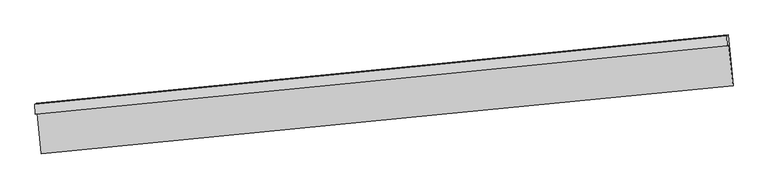
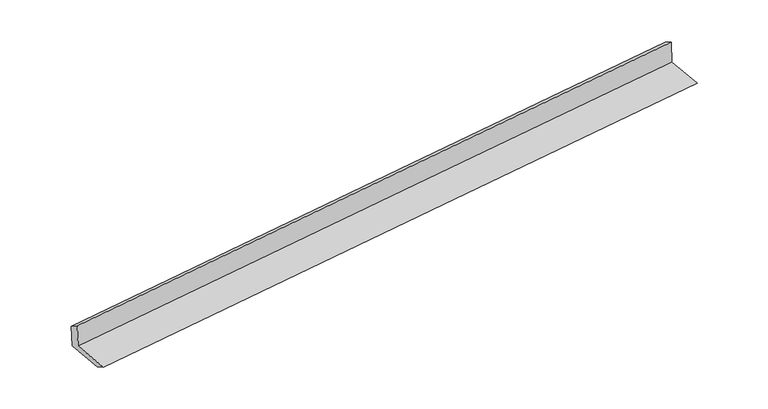
"""IFC4 building model written with IfcOpenShell, lengths in millimetres: proxy geometry."""

from ifc_helpers import new_model, si_unit, frame, origin, place, context, project, spatial, source, transform, mapped, element, save
from ifc_brep_helpers import plane_surface, spline_curve, spline_surface, advanced_brep


def generic_models_fd5a5d75(model_context):
    return source(origin(), model_context, "Body", "AdvancedBrep", [
        advanced_brep(
        [(-5924.6109474, -2090.9974883, 1488.9936578), (-5855.9329995, -2752.2393337, 1466.3804672), (5419.3930709, -1637.2730292, 2224.7157867), (5350.715123, -976.0311838, 2247.3289773), (-5950.7558786, -2107.4713835, 1891.3096694), (5325.2181437, -992.0968052, 2639.6743585), (-5960.0123865, -1943.6498754, 1784.7035888), (5314.9897078, -828.8877078, 2548.0242236), (-5934.5861059, -1927.6288012, 1393.4461127), (5340.7399644, -812.6624967, 2151.7814323), (-5866.3243598, -2584.8633918, 1370.9699625), (5409.0017105, -1469.8970873, 2129.3052821)],
        [
            (0, 1),
            (1, 2, spline_curve(3, [(-5855.9329995, -2752.2393337, 1466.3804672), (-3706.438324865, -2542.08052462, 1615.877612743), (-1556.890892238, -2330.546680076, 1762.558462185), (2201.574335014, -1958.286471331, 2014.098225255), (3810.46892632, -1798.164880214, 2120.1958156), (5419.3930709, -1637.2730292, 2224.7157867)], [4, 2, 4], [0.0, 21.308124751045135, 37.25615874743289])),
            (2, 3),
            (3, 0, spline_curve(3, [(5350.715123, -976.0311838, 2247.3289773), (3741.79097842, -1136.923034814, 2142.8090062), (2132.896387114, -1297.044625931, 2036.711415855), (-1625.568840138, -1669.304834676, 1785.171652785), (-3775.116272765, -1880.83867922, 1638.490803343), (-5924.6109474, -2090.9974883, 1488.9936578)], [4, 2, 4], [0.0, 15.948033996387757, 37.25615874743289])),
            (4, 0),
            (3, 5),
            (5, 4, spline_curve(3, [(5325.2181437, -992.0968052, 2639.6743585), (3716.161971063, -1153.071846941, 2537.186022127), (2107.152291791, -1313.265954594, 2432.859398856), (-1651.54221985, -1685.670635857, 2184.847844431), (-3801.190548516, -1897.268053989, 2039.719570799), (-5950.7558786, -2107.4713835, 1891.3096694)], [4, 2, 4], [0.0, 15.948052475818184, 37.256201917179936])),
            (6, 4),
            (5, 7),
            (7, 6, spline_curve(3, [(5314.9897078, -828.8877078, 2548.0242236), (3706.219782794, -989.682385451, 2441.131135621), (2097.433183988, -1149.735930351, 2333.371773299), (-1660.887756492, -1521.90522445, 2079.611721836), (-3810.435188958, -1733.43906816, 1932.930872165), (-5960.0123865, -1943.6498754, 1784.7035888)], [4, 2, 4], [0.0, 15.948039704050998, 37.25617208108943])),
            (8, 6),
            (7, 9),
            (9, 8, spline_curve(3, [(5340.7399644, -812.6624967, 2151.7814323), (3731.815819533, -973.554347637, 2047.261461133), (2122.921228937, -1133.675938477, 1941.163870544), (-1635.54399907, -1505.936148049, 1689.624108199), (-3785.091431477, -1717.46999206, 1542.94325857), (-5934.5861059, -1927.6288012, 1393.4461127)], [4, 2, 4], [0.0, 15.948024029616533, 37.25613546408581])),
            (10, 8),
            (9, 11),
            (11, 10, spline_curve(3, [(5409.0017105, -1469.8970873, 2129.3052821), (3800.07756592, -1630.788938314, 2024.785311), (2191.182974714, -1790.910529431, 1918.687720655), (-1567.282252538, -2163.170738176, 1667.147957585), (-3716.829685165, -2374.70458272, 1520.467108043), (-5866.3243598, -2584.8633918, 1370.9699625)], [4, 2, 4], [0.0, 15.948033996387757, 37.25615874743289])),
            (1, 10),
            (11, 2),
        ],
        [
            spline_surface(3, 3, [[(-5924.6109474, -2090.9974883, 1488.9936578), (-3775.116272991, -1880.838678922, 1638.490803339), (-1625.568840437, -1669.304834938, 1785.171652865), (2132.896387338, -1297.044625735, 2036.711415795), (3741.790978293, -1136.923034888, 2142.809006055), (5350.715123, -976.0311838, 2247.3289773)], [(-5901.718298106, -2311.411436757, 1481.455927601), (-3752.223623697, -2101.252627379, 1630.95307314), (-1602.676191143, -1889.718783396, 1777.633922666), (2155.789036632, -1517.458574192, 2029.173685596), (3764.683627587, -1357.336983345, 2135.271275857), (5373.607772294, -1196.445132257, 2239.791247101)], [(-5878.825648794, -2531.825385243, 1473.918197399), (-3729.330974385, -2321.666575865, 1623.415342938), (-1579.783541831, -2110.132731881, 1770.096192464), (2178.681685944, -1737.872522677, 2021.635955394), (3787.576276899, -1577.750931831, 2127.733545654), (5396.500421606, -1416.859080743, 2232.253516899)], [(-5855.9329995, -2752.2393337, 1466.3804672), (-3706.438325091, -2542.080524322, 1615.877612739), (-1556.890892537, -2330.546680338, 1762.558462265), (2201.574335238, -1958.286471135, 2014.098225195), (3810.468926193, -1798.164880288, 2120.195815455), (5419.3930709, -1637.2730292, 2224.7157867)]], [4, 4], [4, 2, 4], [0.0, 2.1823598400354642], [0.0, 21.308124751045135, 37.25615874743289]),
            spline_surface(3, 3, [[(-5950.7558786, -2107.4713835, 1891.3096694), (-3801.190548468, -1897.268054022, 2039.719570599), (-1651.542220111, -1685.670635722, 2184.847844103), (2107.152291985, -1313.265954695, 2432.859399101), (3716.161971067, -1153.071846953, 2537.18602192), (5325.2181437, -992.0968052, 2639.6743585)], [(-5942.040901523, -2101.980085094, 1757.204332195), (-3792.499123299, -1891.791595649, 1905.976648173), (-1642.884426874, -1680.215368797, 2051.622447041), (2115.733657115, -1307.858845044, 2300.81007135), (3724.704973468, -1147.688909619, 2405.727016629), (5333.717136792, -986.741598088, 2508.892564763)], [(-5933.325924477, -2096.488786706, 1623.098995005), (-3783.80769816, -1886.315137295, 1772.233725764), (-1634.226633674, -1674.760101864, 1918.397049927), (2124.315022208, -1302.451735386, 2168.760743546), (3733.247975892, -1142.305972221, 2274.268011347), (5342.216129908, -981.386390912, 2378.110771037)], [(-5924.6109474, -2090.9974883, 1488.9936578), (-3775.116272991, -1880.838678922, 1638.490803339), (-1625.568840437, -1669.304834938, 1785.171652865), (2132.896387338, -1297.044625735, 2036.711415795), (3741.790978293, -1136.923034888, 2142.809006055), (5350.715123, -976.0311838, 2247.3289773)]], [4, 4], [4, 2, 4], [0.0, 1.3109289210998947], [0.0, 21.308149441361753, 37.256201917179936]),
            spline_surface(3, 3, [[(-5960.0123865, -1943.6498754, 1784.7035888), (-3810.435188753, -1733.439068149, 1932.930872124), (-1660.887756199, -1521.905224165, 2079.61172175), (2097.433183769, -1149.735930565, 2333.371773364), (3706.219782609, -989.682385323, 2441.131135356), (5314.9897078, -828.8877078, 2548.0242236)], [(-5956.926883861, -1998.257044795, 1820.238948991), (-3807.353641985, -1788.048730135, 1968.52710494), (-1657.772577499, -1576.493694704, 2114.690429203), (2100.672886512, -1204.245938628, 2366.534315278), (3709.533845412, -1044.145539187, 2473.149430899), (5318.399186417, -883.290740254, 2578.574268588)], [(-5953.841381239, -2052.864214105, 1855.774309209), (-3804.272095236, -1842.658392035, 2004.123337783), (-1654.657398811, -1631.082165183, 2149.76913665), (2103.912589242, -1258.755946632, 2399.696857187), (3712.847908264, -1098.608693089, 2505.167726378), (5321.808665083, -937.693772746, 2609.124313512)], [(-5950.7558786, -2107.4713835, 1891.3096694), (-3801.190548468, -1897.268054022, 2039.719570599), (-1651.542220111, -1685.670635722, 2184.847844103), (2107.152291985, -1313.265954695, 2432.859399101), (3716.161971067, -1153.071846953, 2537.18602192), (5325.2181437, -992.0968052, 2639.6743585)]], [4, 4], [4, 2, 4], [0.0, 0.6354290362210604], [0.0, 21.308132377038433, 37.25617208108943]),
            spline_surface(3, 3, [[(-5934.5861059, -1927.6288012, 1393.4461127), (-3785.091431491, -1717.469991822, 1542.943258239), (-1635.543998937, -1505.936147838, 1689.624107865), (2122.921228838, -1133.675938635, 1941.163870795), (3731.815819693, -973.554347788, 2047.261461055), (5340.7399644, -812.6624967, 2151.7814323)], [(-5943.06153277, -1932.969159259, 1523.865271386), (-3793.539350582, -1722.793017257, 1672.93912952), (-1643.991918028, -1511.259173273, 1819.619979145), (2114.425213811, -1139.02926927, 2071.899838304), (3723.283807336, -978.930360306, 2178.551352476), (5332.156545537, -818.070900406, 2283.86236272)], [(-5951.53695963, -1938.309517341, 1654.284430114), (-3801.987269662, -1728.116042715, 1802.935000843), (-1652.439837108, -1516.582198731, 1949.615850469), (2105.929198795, -1144.382599929, 2202.635805856), (3714.751794966, -984.306372805, 2309.841243936), (5323.573126663, -823.479304094, 2415.94329318)], [(-5960.0123865, -1943.6498754, 1784.7035888), (-3810.435188753, -1733.439068149, 1932.930872124), (-1660.887756199, -1521.905224165, 2079.61172175), (2097.433183769, -1149.735930565, 2333.371773364), (3706.219782609, -989.682385323, 2441.131135356), (5314.9897078, -828.8877078, 2548.0242236)]], [4, 4], [4, 2, 4], [0.0, 1.2860559271524958], [0.0, 21.308111434469275, 37.25613546408581]),
            spline_surface(3, 3, [[(-5866.3243598, -2584.8633918, 1370.9699625), (-3716.829685391, -2374.704582422, 1520.467108039), (-1567.282252837, -2163.170738438, 1667.147957665), (2191.182974938, -1790.910529235, 1918.687720595), (3800.077565793, -1630.788938388, 2024.785310855), (5409.0017105, -1469.8970873, 2129.3052821)], [(-5889.078275167, -2365.785194934, 1378.462012581), (-3739.583600758, -2155.626385556, 1527.95915812), (-1590.036168204, -1944.092541572, 1674.640007746), (2168.429059571, -1571.832332368, 1926.179770676), (3777.323650426, -1411.710741522, 2032.277360937), (5386.247795133, -1250.818890434, 2136.797332181)], [(-5911.832190533, -2146.706998066, 1385.954062619), (-3762.337516124, -1936.548188689, 1535.451208158), (-1612.79008357, -1725.014344705, 1682.132057783), (2145.675144204, -1352.754135501, 1933.671820714), (3754.56973506, -1192.632544654, 2039.769410974), (5363.493879767, -1031.740693566, 2144.289382219)], [(-5934.5861059, -1927.6288012, 1393.4461127), (-3785.091431491, -1717.469991822, 1542.943258239), (-1635.543998937, -1505.936147838, 1689.624107865), (2122.921228838, -1133.675938635, 1941.163870795), (3731.815819693, -973.554347788, 2047.261461055), (5340.7399644, -812.6624967, 2151.7814323)]], [4, 4], [4, 2, 4], [0.0, 2.1691343130267793], [0.0, 21.308124751045135, 37.25615874743289]),
            spline_surface(3, 3, [[(-5855.9329995, -2752.2393337, 1466.3804672), (-3706.438325091, -2542.080524322, 1615.877612739), (-1556.890892537, -2330.546680338, 1762.558462265), (2201.574335238, -1958.286471135, 2014.098225195), (3810.468926193, -1798.164880288, 2120.195815455), (5419.3930709, -1637.2730292, 2224.7157867)], [(-5859.396786274, -2696.447353061, 1434.576965646), (-3709.902111865, -2486.288543684, 1584.074111185), (-1560.354679311, -2274.7546997, 1730.754960711), (2198.110548464, -1902.494490496, 1982.294723641), (3807.005139419, -1742.372899649, 2088.392313902), (5415.929284126, -1581.481048561, 2192.912285146)], [(-5862.860573026, -2640.655372439, 1402.773464054), (-3713.365898617, -2430.496563061, 1552.270609593), (-1563.818466063, -2218.962719077, 1698.951459219), (2194.646761711, -1846.702509873, 1950.491222149), (3803.541352567, -1686.580919026, 2056.588812409), (5412.465497274, -1525.689067939, 2161.108783654)], [(-5866.3243598, -2584.8633918, 1370.9699625), (-3716.829685391, -2374.704582422, 1520.467108039), (-1567.282252837, -2163.170738438, 1667.147957665), (2191.182974938, -1790.910529235, 1918.687720595), (3800.077565793, -1630.788938388, 2024.785310855), (5409.0017105, -1469.8970873, 2129.3052821)]], [4, 4], [4, 2, 4], [0.0, 0.6330053097211021], [0.0, 21.30812475104513, 37.256158747432885]),
            plane_surface(frame((5360.0096201, -1119.4747183, 2323.4716768), z_axis=(0.9925430525045705, 0.10074068234273054, 0.06862655350540743), x_axis=(-0.06479519551329692, -0.04082738838191727, 0.9970630406329911))),
            plane_surface(frame((-5915.3704463, -2234.4750456, 1565.9672431), z_axis=(-0.9925430525045844, -0.10074068234262659, -0.06862655350535783), x_axis=(-0.10324665400525715, 0.9940746648411549, 0.03399542848184385))),
        ],
        [
            (0, [[1, 2, 3, 4]]),
            (1, [[5, -4, 6, 7]]),
            (2, [[8, -7, 9, 10]]),
            (3, [[11, -10, 12, 13]]),
            (4, [[14, -13, 15, 16]]),
            (5, [[17, -16, 18, -2]]),
            (6, [[-12, -9, -6, -3, -18, -15]]),
            (7, [[-1, -5, -8, -11, -14, -17]]),
        ],
    ),
    ])


if __name__ == "__main__":
    model = new_model("IFC4")
    model_context = context("Model", 3, world=origin())
    ifc_project = project(units=[si_unit("LENGTHUNIT", "METRE", prefix="MILLI")], contexts=[model_context])
    site = spatial("IfcSite", under=ifc_project)
    building = spatial("IfcBuilding", under=site)
    placement = place(None, origin())
    generic_models_shape = generic_models_fd5a5d75(model_context)
    element("IfcBuildingElementProxy", 1, Name="Generic Models", at=placement, inside=building, context=model_context, shape_type="MappedRepresentation", body=[
        mapped(generic_models_shape, transform((0.0, 0.0, 0.0), x_axis=(1.0, 0.0, 0.0), y_axis=(0.0, 1.0, 0.0), z_axis=(0.0, 0.0, 1.0))),
    ])
    save(model, "model.ifc")
